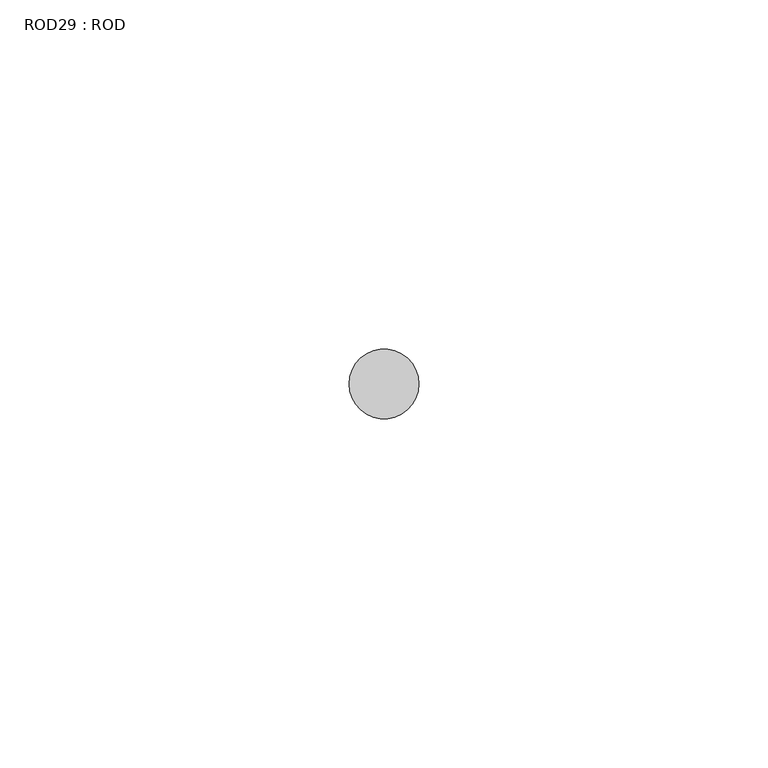
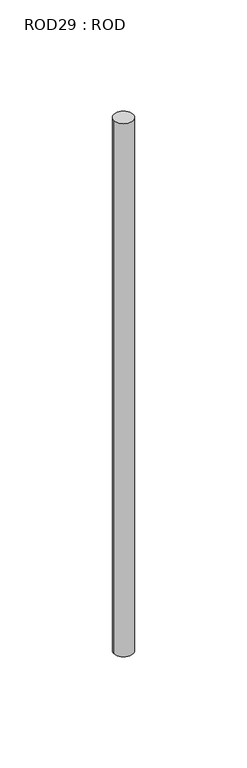
"""IFC4 building model written with IfcOpenShell, lengths in millimetres: proxy geometry, ROD29 : ROD."""

from ifc_helpers import new_model, si_unit, point, frame, frame_2d, origin, place, context, project, spatial, circle_curve, trimmed, segment, composite_curve, outline, extrude, source, transform, mapped, element, save


def rod29_rod_68a5bd17(model_context):
    return source(origin(), model_context, "Body", "SweptSolid", [
        extrude(outline(composite_curve([segment(trimmed(circle_curve(frame_2d((-2047.2215616, -1114.6300853)), 5.0), [point((-2052.2215616, -1114.6300853))], [point((-2042.2215616, -1114.6300853))], False, "CARTESIAN"), True, "CONTINUOUS"), segment(trimmed(circle_curve(frame_2d((-2047.2215616, -1114.6300853)), 5.0), [point((-2042.2215616, -1114.6300853))], [point((-2052.2215616, -1114.6300853))], False, "CARTESIAN"), True, "CONTINUOUS")], self_intersect=False)), frame((0.0, 0.0, -208.6608845), z_axis=(0.0, 0.0, 1.0), x_axis=(1.0, 0.0, 0.0)), (0.0, 0.0, 1.0), 298.9028972),
    ])


if __name__ == "__main__":
    model = new_model("IFC4")
    model_context = context("Model", 3, world=origin())
    ifc_project = project(units=[si_unit("LENGTHUNIT", "METRE", prefix="MILLI")], contexts=[model_context])
    site = spatial("IfcSite", under=ifc_project)
    building = spatial("IfcBuilding", under=site)
    placement = place(None, origin())
    rod29_rod_shape = rod29_rod_68a5bd17(model_context)
    element("IfcBuildingElementProxy", 1, Name="ROD29 : ROD", ObjectType="ROD29 : ROD", at=placement, inside=building, context=model_context, shape_type="MappedRepresentation", body=[
        mapped(rod29_rod_shape, transform((0.0, 0.0, 0.0), x_axis=(1.0, 0.0, 0.0), y_axis=(0.0, 1.0, 0.0), z_axis=(0.0, 0.0, 1.0))),
    ])
    save(model, "model.ifc")
